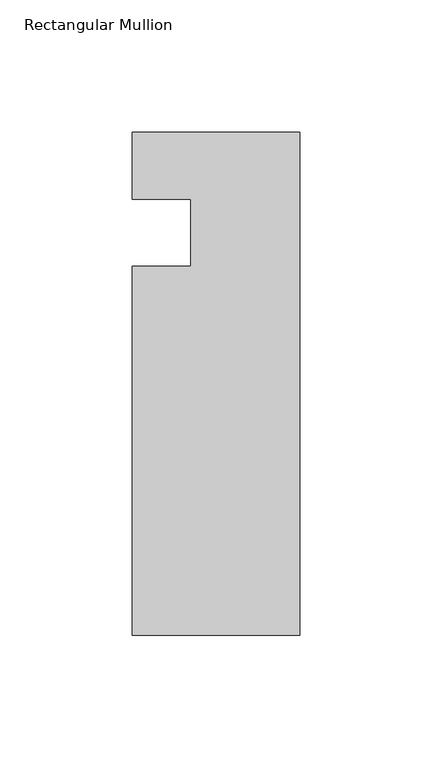
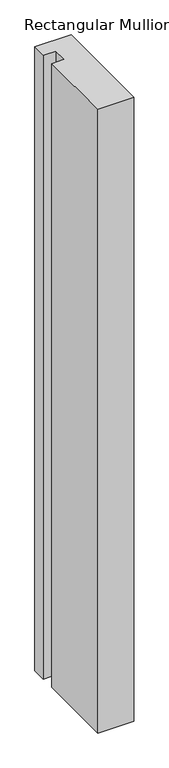
"""IFC4 building model written with IfcOpenShell, lengths in millimetres: member geometry, Rectangular Mullion."""

from ifc_helpers import new_model, si_unit, frame, origin, place, context, project, spatial, polyline, outline, extrude, source, transform, mapped, element, save


def rectangular_mullion_8cbb4e36(model_context):
    return source(origin(), model_context, "Body", "SweptSolid", [
        extrude(outline(polyline([(-63.5, -152.399995), (-63.5, -12.7), (-41.2751132, -12.7), (-41.2751132, 12.7296373), (-63.5, 12.7296373), (-63.5, 38.1), (0.0, 38.1), (0.0, -152.399995), (-63.5, -152.399995)])), frame((0.0, 0.0, -1154.90625), z_axis=(0.0, 0.0, 1.0), x_axis=(1.0, 0.0, 0.0)), (0.0, 0.0, 1.0), 1154.90625),
    ])


if __name__ == "__main__":
    model = new_model("IFC4")
    model_context = context("Model", 3, world=origin())
    ifc_project = project(units=[si_unit("LENGTHUNIT", "METRE", prefix="MILLI")], contexts=[model_context])
    site = spatial("IfcSite", under=ifc_project)
    building = spatial("IfcBuilding", under=site)
    placement = place(None, origin())
    rectangular_mullion_shape = rectangular_mullion_8cbb4e36(model_context)
    element("IfcMember", 1, ObjectType="Rectangular Mullion", at=placement, inside=building, context=model_context, shape_type="MappedRepresentation", body=[
        mapped(rectangular_mullion_shape, transform((0.0, 0.0, 0.0), x_axis=(1.0, 0.0, 0.0), y_axis=(0.0, 1.0, 0.0), z_axis=(0.0, 0.0, 1.0))),
    ])
    save(model, "model.ifc")
